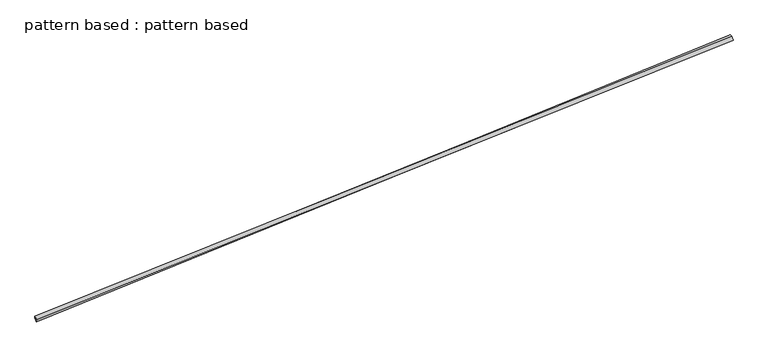
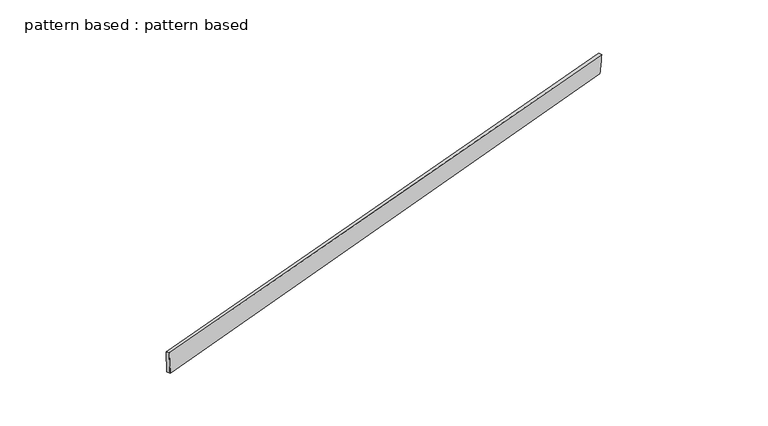
"""IFC4 building model written with IfcOpenShell, lengths in millimetres: plate geometry, pattern based : pattern based."""

from ifc_helpers import new_model, si_unit, frame, origin, place, context, project, spatial, source, transform, mapped, element, save
from ifc_brep_helpers import plane_surface, spline_surface, advanced_brep


def pattern_based_pattern_based_84488b19(model_context):
    return source(origin(), model_context, "Body", "AdvancedBrep", [
        advanced_brep(
        [(2817.6397039, 2817.6397039, 66.1142256), (2818.0627937, 2828.5061116, 215.7195136), (2808.6948171, 2851.6844643, 215.7900994), (2808.2717273, 2840.8180566, 66.1848115), (6930.1289465, 4479.7307189, 82.726738), (6920.76097, 4502.9090716, 82.7973239), (6921.9131216, 4488.0165574, -66.8187236), (6912.545145, 4511.1949101, -66.7481378)],
        [
            (0, 1),
            (1, 2),
            (2, 3),
            (3, 0),
            (1, 4),
            (4, 5),
            (5, 2),
            (4, 6),
            (6, 7),
            (7, 5),
            (6, 0),
            (3, 7),
        ],
        [
            plane_surface(frame((2817.8512488, 2823.0729078, 140.9168696), z_axis=(-0.9266936015809495, -0.3746318720789057, 0.02983168134019633), x_axis=(0.0028205985623893258, 0.07244271837268314, 0.9973685862200222))),
            plane_surface(frame((4874.0958701, 3654.1184153, 149.2231258), z_axis=(0.028865024812649537, 0.008622402080175973, 0.9995461292631438), x_axis=(0.9275603035190704, 0.37246735363114786, -0.029999230233784882))),
            plane_surface(frame((6926.0210341, 4483.8736382, 7.9540072), z_axis=(0.9266843001832751, 0.3746290936163484, -0.030153772732895424), x_axis=(-0.05477216650505896, 0.05523892310331507, -0.9969697443507141))),
            plane_surface(frame((4869.7764127, 3652.8281306, -0.352249), z_axis=(-0.028865024812649593, -0.008622402080176159, -0.9995461292631438), x_axis=(-0.9258125634520412, -0.37679163138079624, 0.029986061357880556))),
            spline_surface(1, 1, [[(2808.6948171, 2851.6844643, 215.7900994), (2808.2717273, 2840.8180566, 66.1848115)], [(6920.76097, 4502.9090716, 82.7973239), (6912.545145, 4511.1949101, -66.7481378)]], [2, 2], [2, 2], [0.0, 1.0], [0.0, 1.0]),
            spline_surface(1, 1, [[(6921.9131216, 4488.0165574, -66.8187236), (2817.6397039, 2817.6397039, 66.1142256)], [(6930.1289465, 4479.7307189, 82.726738), (2818.0627937, 2828.5061116, 215.7195136)]], [2, 2], [2, 2], [0.0, 1.0], [0.0, 1.0]),
        ],
        [
            (0, [[1, 2, 3, 4]]),
            (1, [[5, 6, 7, -2]]),
            (2, [[8, 9, 10, -6]]),
            (3, [[11, -4, 12, -9]]),
            (4, [[-3, -7, -10, -12]]),
            (5, [[-11, -8, -5, -1]]),
        ],
    ),
    ])


if __name__ == "__main__":
    model = new_model("IFC4")
    model_context = context("Model", 3, world=origin())
    ifc_project = project(units=[si_unit("LENGTHUNIT", "METRE", prefix="MILLI")], contexts=[model_context])
    site = spatial("IfcSite", under=ifc_project)
    building = spatial("IfcBuilding", under=site)
    placement = place(None, origin())
    pattern_based_pattern_based_shape = pattern_based_pattern_based_84488b19(model_context)
    element("IfcPlate", 1, ObjectType="pattern based : pattern based", at=placement, inside=building, context=model_context, shape_type="MappedRepresentation", body=[
        mapped(pattern_based_pattern_based_shape, transform((0.0, 0.0, 0.0), x_axis=(1.0, 0.0, 0.0), y_axis=(0.0, 1.0, 0.0), z_axis=(0.0, 0.0, 1.0))),
    ])
    save(model, "model.ifc")
